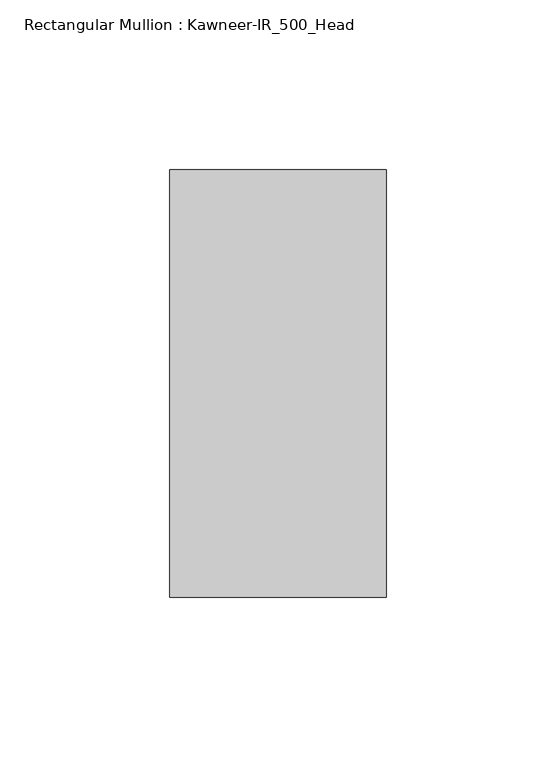
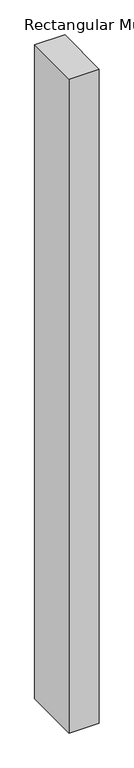
"""IFC4 building model written with IfcOpenShell, lengths in millimetres: member geometry, Rectangular Mullion : Kawneer-IR_500_Head."""

from ifc_helpers import new_model, si_unit, frame, origin, place, context, project, spatial, polyline, outline, extrude, source, transform, mapped, element, save


def rectangular_mullion_kawneer_ir_500_head_ed03ca02(model_context):
    return source(origin(), model_context, "Body", "SweptSolid", [
        extrude(outline(polyline([(-63.6202663, 62.8904), (0.0, 62.8904), (0.0, -62.8904), (-63.6202663, -62.8904), (-63.6202663, 62.8904)])), frame((0.0, 0.0, -1460.3797337), z_axis=(0.0, 0.0, 1.0), x_axis=(1.0, 0.0, 0.0)), (0.0, 0.0, 1.0), 1460.3797337),
    ])


if __name__ == "__main__":
    model = new_model("IFC4")
    model_context = context("Model", 3, world=origin())
    ifc_project = project(units=[si_unit("LENGTHUNIT", "METRE", prefix="MILLI")], contexts=[model_context])
    site = spatial("IfcSite", under=ifc_project)
    building = spatial("IfcBuilding", under=site)
    placement = place(None, origin())
    rectangular_mullion_kawneer_ir_500_head_shape = rectangular_mullion_kawneer_ir_500_head_ed03ca02(model_context)
    element("IfcMember", 1, ObjectType="Rectangular Mullion : Kawneer-IR_500_Head", at=placement, inside=building, context=model_context, shape_type="MappedRepresentation", body=[
        mapped(rectangular_mullion_kawneer_ir_500_head_shape, transform((0.0, 0.0, 0.0), x_axis=(1.0, 0.0, 0.0), y_axis=(0.0, 1.0, 0.0), z_axis=(0.0, 0.0, 1.0))),
    ])
    save(model, "model.ifc")
